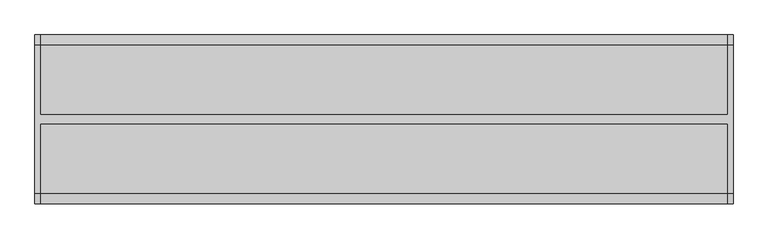
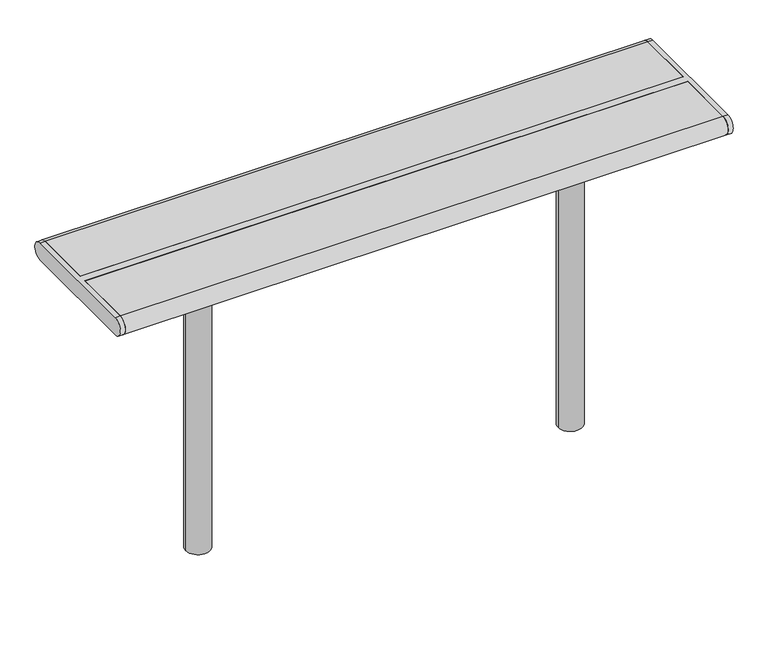
"""IFC4 building model written with IfcOpenShell, lengths in millimetres: furniture geometry."""

from ifc_helpers import new_model, si_unit, point, frame, frame_2d, origin, place, context, project, spatial, polyline, circle_curve, trimmed, segment, composite_curve, outline, extrude, source, transform, mapped, element, save
from ifc_brep_helpers import plane_surface, cylinder_surface, advanced_brep


def furniture_8e811e79(model_context):
    return source(origin(), model_context, "Body", "SolidModel", [
        extrude(outline(composite_curve([segment(trimmed(circle_curve(frame_2d((460.0, 0.0)), 30.0), [point((430.0, 0.0))], [point((490.0, 0.0))], False, "CARTESIAN"), True, "CONTINUOUS"), segment(trimmed(circle_curve(frame_2d((460.0, 0.0)), 30.0), [point((490.0, 0.0))], [point((430.0, 0.0))], False, "CARTESIAN"), True, "CONTINUOUS")], self_intersect=False)), frame((0.0, 0.0, -350.0), z_axis=(0.0, 0.0, 1.0), x_axis=(1.0, 0.0, 0.0)), (0.0, 0.0, 1.0), 739.0),
        extrude(outline(polyline([(535.0, 125.0), (535.0, -125.0), (385.0, -125.0), (385.0, 125.0), (535.0, 125.0)])), frame((0.0, 0.0, 389.0), z_axis=(0.0, 0.0, 1.0), x_axis=(1.0, 0.0, 0.0)), (0.0, 0.0, 1.0), 16.0),
        extrude(outline(composite_curve([segment(trimmed(circle_curve(frame_2d((-460.0, 0.0)), 30.0), [point((-490.0, 0.0))], [point((-430.0, 0.0))], False, "CARTESIAN"), True, "CONTINUOUS"), segment(trimmed(circle_curve(frame_2d((-460.0, 0.0)), 30.0), [point((-430.0, 0.0))], [point((-490.0, 0.0))], False, "CARTESIAN"), True, "CONTINUOUS")], self_intersect=False)), frame((0.0, 0.0, -350.0), z_axis=(0.0, 0.0, 1.0), x_axis=(1.0, 0.0, 0.0)), (0.0, 0.0, 1.0), 739.0),
        extrude(outline(polyline([(-385.0, 125.0), (-385.0, -125.0), (-535.0, -125.0), (-535.0, 125.0), (-385.0, 125.0)])), frame((0.0, 0.0, 389.0), z_axis=(0.0, 0.0, 1.0), x_axis=(1.0, 0.0, 0.0)), (0.0, 0.0, 1.0), 16.0),
        advanced_brep(
        [(757.0, -160.5, 405.0), (757.0, 160.5, 405.0), (757.0, 160.5, 450.0), (757.0, -160.5, 450.0), (745.0, -160.5, 405.0), (745.0, -160.5, 450.0), (745.0, -10.0, 450.0), (745.0, -10.0, 405.0), (745.0, 160.5, 450.0), (745.0, 160.5, 405.0), (745.0, 10.0, 405.0), (745.0, 10.0, 450.0), (-745.0, 10.0, 450.0), (-745.0, 160.5, 450.0), (-757.0, 160.5, 450.0), (-757.0, -160.5, 450.0), (-745.0, -160.5, 450.0), (-745.0, -10.0, 450.0), (-745.0, -10.0, 405.0), (-745.0, -160.5, 405.0), (-757.0, -160.5, 405.0), (-757.0, 160.5, 405.0), (-745.0, 160.5, 405.0), (-745.0, 10.0, 405.0)],
        [
            (0, 1),
            (1, 2, circle_curve(frame((757.0, 160.5, 427.5), z_axis=(1.0, 0.0, 0.0), x_axis=(0.0, 1.0, 0.0)), 22.5)),
            (2, 3),
            (3, 0, circle_curve(frame((757.0, -160.5, 427.5), z_axis=(1.0, 0.0, 0.0), x_axis=(0.0, -1.0, 0.0)), 22.5)),
            (4, 5, circle_curve(frame((745.0, -160.5, 427.5), z_axis=(-1.0, 0.0, 0.0), x_axis=(0.0, -1.0, 0.0)), 22.5)),
            (5, 6),
            (6, 7),
            (7, 4),
            (8, 9, circle_curve(frame((745.0, 160.5, 427.5), z_axis=(-1.0, 0.0, 0.0), x_axis=(0.0, 1.0, 0.0)), 22.5)),
            (9, 10),
            (10, 11),
            (11, 8),
            (2, 8),
            (11, 12),
            (12, 13),
            (13, 14),
            (14, 15),
            (15, 16),
            (16, 17),
            (17, 6),
            (5, 3),
            (0, 4),
            (7, 18),
            (18, 19),
            (19, 20),
            (20, 21),
            (21, 22),
            (22, 23),
            (23, 10),
            (9, 1),
            (17, 18),
            (23, 12),
            (22, 13, circle_curve(frame((-745.0, 160.5, 427.5), z_axis=(1.0, 0.0, 0.0), x_axis=(0.0, -1.0, 0.0)), 22.5)),
            (16, 19, circle_curve(frame((-745.0, -160.5, 427.5), z_axis=(1.0, 0.0, 0.0), x_axis=(0.0, -1.0, 0.0)), 22.5)),
            (20, 15, circle_curve(frame((-757.0, -160.5, 427.5), z_axis=(-1.0, 0.0, 0.0), x_axis=(0.0, -1.0, 0.0)), 22.5)),
            (14, 21, circle_curve(frame((-757.0, 160.5, 427.5), z_axis=(-1.0, 0.0, 0.0), x_axis=(0.0, -1.0, 0.0)), 22.5)),
        ],
        [
            plane_surface(frame((757.0, 160.5, 405.0), z_axis=(1.0, 0.0, 0.0), x_axis=(0.0, 1.0, 0.0))),
            plane_surface(frame((745.0, 160.5, 405.0), z_axis=(-1.0, 0.0, 0.0), x_axis=(0.0, -1.0, 0.0))),
            plane_surface(frame((757.0, 160.5, 450.0), z_axis=(0.0, 0.0, 1.0), x_axis=(-1.0, 0.0, 0.0))),
            plane_surface(frame((757.0, -160.5, 405.0), z_axis=(0.0, 0.0, -1.0), x_axis=(-1.0, 0.0, 0.0))),
            cylinder_surface(frame((745.0, -160.5, 427.5), z_axis=(1.0, 0.0, 0.0), x_axis=(0.0, -1.0, 0.0)), 22.5),
            cylinder_surface(frame((745.0, 160.5, 427.5), z_axis=(1.0, 0.0, 0.0), x_axis=(0.0, 1.0, 0.0)), 22.5),
            plane_surface(frame((745.0, -10.0, 450.0), z_axis=(0.0, -1.0, 0.0), x_axis=(-1.0, 0.0, 0.0))),
            plane_surface(frame((745.0, 10.0, 405.0), z_axis=(0.0, 1.0, 0.0), x_axis=(-1.0, 0.0, 0.0))),
            plane_surface(frame((-745.0, 160.5, 405.0), z_axis=(1.0, 0.0, 0.0), x_axis=(0.0, 1.0, 0.0))),
            plane_surface(frame((-757.0, 160.5, 405.0), z_axis=(-1.0, 0.0, 0.0), x_axis=(0.0, -1.0, 0.0))),
            cylinder_surface(frame((-757.0, -160.5, 427.5), z_axis=(1.0, 0.0, 0.0), x_axis=(0.0, -1.0, 0.0)), 22.5),
            cylinder_surface(frame((-757.0, 160.5, 427.5), z_axis=(1.0, 0.0, 0.0), x_axis=(0.0, -1.0, 0.0)), 22.5),
        ],
        [
            (0, [[1, 2, 3, 4]]),
            (1, [[5, 6, 7, 8]]),
            (1, [[9, 10, 11, 12]]),
            (2, [[-3, 13, -12, 14, 15, 16, 17, 18, 19, 20, -6, 21]]),
            (3, [[-1, 22, -8, 23, 24, 25, 26, 27, 28, 29, -10, 30]]),
            (4, [[-4, -21, -5, -22]]),
            (5, [[-2, -30, -9, -13]]),
            (6, [[-20, 31, -23, -7]]),
            (7, [[-14, -11, -29, 32]]),
            (8, [[33, -15, -32, -28]]),
            (8, [[34, -24, -31, -19]]),
            (9, [[35, -17, 36, -26]]),
            (10, [[-34, -18, -35, -25]]),
            (11, [[-33, -27, -36, -16]]),
        ],
    ),
        extrude(outline(composite_curve([segment(polyline([(10.0, 405.0), (10.0, 450.0), (160.5, 450.0)]), True, "CONTINUOUS"), segment(trimmed(circle_curve(frame_2d((160.5, 427.5)), 22.5), [point((160.5, 450.0))], [point((160.5, 405.0))], False, "CARTESIAN"), True, "CONTINUOUS"), segment(polyline([(160.5, 405.0), (10.0, 405.0)]), True, "CONTINUOUS")], self_intersect=False)), frame((-745.0, 0.0, 0.0), z_axis=(1.0, 0.0, 0.0), x_axis=(0.0, 1.0, 0.0)), (0.0, 0.0, 1.0), 1490.0),
        extrude(outline(composite_curve([segment(polyline([(-10.0, 405.0), (-160.5, 405.0)]), True, "CONTINUOUS"), segment(trimmed(circle_curve(frame_2d((-160.5, 427.5)), 22.5), [point((-160.5, 405.0))], [point((-160.5, 450.0))], False, "CARTESIAN"), True, "CONTINUOUS"), segment(polyline([(-160.5, 450.0), (-10.0, 450.0), (-10.0, 405.0)]), True, "CONTINUOUS")], self_intersect=False)), frame((-745.0, 0.0, 0.0), z_axis=(1.0, 0.0, 0.0), x_axis=(0.0, 1.0, 0.0)), (0.0, 0.0, 1.0), 1490.0),
    ])


if __name__ == "__main__":
    model = new_model("IFC4")
    model_context = context("Model", 3, world=origin())
    ifc_project = project(units=[si_unit("LENGTHUNIT", "METRE", prefix="MILLI")], contexts=[model_context])
    site = spatial("IfcSite", under=ifc_project)
    building = spatial("IfcBuilding", under=site)
    placement = place(None, origin())
    furniture_shape = furniture_8e811e79(model_context)
    element("IfcFurniture", 1, at=placement, inside=building, context=model_context, shape_type="MappedRepresentation", body=[
        mapped(furniture_shape, transform((0.0, 0.0, 0.0), x_axis=(1.0, 0.0, 0.0), y_axis=(0.0, 1.0, 0.0), z_axis=(0.0, 0.0, 1.0))),
    ])
    save(model, "model.ifc")
